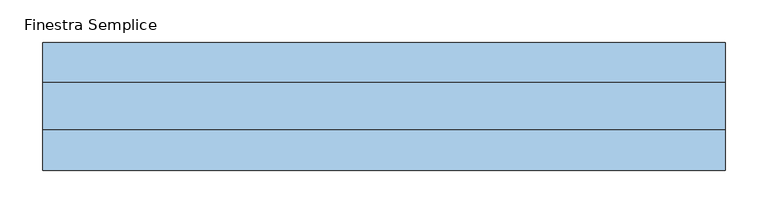
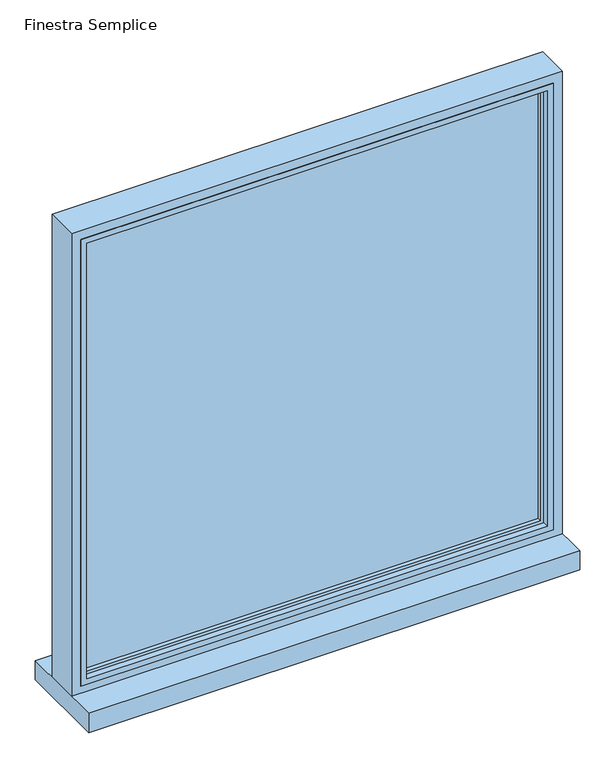
"""IFC4 building model written with IfcOpenShell, lengths in millimetres: window geometry, Finestra Semplice."""

from ifc_helpers import new_model, si_unit, frame, origin, place, context, project, spatial, polyline, ellipse_curve, outline, extrude, faceted_brep, source, transform, mapped, element, save
from ifc_brep_helpers import plane_surface, cylinder_surface, advanced_brep


def finestra_semplice_f639c5f9(model_context):
    return source(origin(), model_context, "Body", "SolidModel", [
        extrude(outline(polyline([(400.0, -68.1372612), (-400.0, -68.1372612), (-400.0, 81.8627389), (400.0, 81.8627389), (400.0, -68.1372612)])), frame((0.0, 0.0, 1170.0), z_axis=(0.0, 0.0, 1.0), x_axis=(1.0, 0.0, 0.0)), (0.0, 0.0, 1.0), 33.0),
        extrude(outline(polyline([(370.0, -3.0), (-370.0, -3.0), (-370.0, 9.8627388), (370.0, 9.8627388), (370.0, -3.0)])), frame((0.0, 0.0, 1230.0), z_axis=(0.0, 0.0, 1.0), x_axis=(1.0, 0.0, 0.0)), (0.0, 0.0, 1.0), 740.0),
        faceted_brep([(-385.0, -20.0, 1985.0), (-385.0, 20.0, 1985.0), (-385.0, 20.0, 1215.0), (-385.0, -20.0, 1215.0), (385.0, 20.0, 1985.0), (385.0, 20.0, 1215.0), (-370.0, 20.0, 1970.0), (-370.0, 20.0, 1230.0), (370.0, 20.0, 1230.0), (370.0, 20.0, 1970.0), (385.0, -20.0, 1215.0), (385.0, -20.0, 1985.0), (375.0, -20.0, 1975.0), (375.0, -20.0, 1225.0), (-375.0, -20.0, 1225.0), (-375.0, -20.0, 1975.0), (-375.0, -10.0, 1975.0), (-375.0, -10.0, 1225.0), (375.0, -10.0, 1225.0), (375.0, -10.0, 1975.0), (370.0, -10.0, 1970.0), (370.0, -10.0, 1230.0), (-370.0, -10.0, 1230.0), (-370.0, -10.0, 1970.0)], [[[0, 1, 2, 3]], [[4, 5, 2, 1], [6, 7, 8, 9]], [[3, 2, 5, 10]], [[0, 3, 10, 11], [12, 13, 14, 15]], [[16, 15, 14, 17]], [[17, 14, 13, 18]], [[16, 17, 18, 19], [20, 21, 22, 23]], [[6, 23, 22, 7]], [[7, 22, 21, 8]], [[10, 5, 4, 11]], [[18, 13, 12, 19]], [[8, 21, 20, 9]], [[11, 4, 1, 0]], [[19, 12, 15, 16]], [[9, 20, 23, 6]]]),
        advanced_brep(
        [(-400.0, 35.0, 2000.0), (-400.0, 35.0, 1200.0), (-400.0, -20.0, 1200.0), (-400.0, -20.0, 2000.0), (400.0, 35.0, 2000.0), (400.0, 35.0, 1200.0), (-380.0, 35.0, 1220.0), (380.0, 35.0, 1220.0), (380.0, 35.0, 1980.0), (-380.0, 35.0, 1980.0), (400.0, -20.0, 1200.0), (400.0, -20.0, 2000.0), (-385.0, -20.0, 1985.0), (385.0, -20.0, 1985.0), (385.0, -20.0, 1215.0), (-385.0, -20.0, 1215.0), (-385.0, 20.0, 1985.0), (-385.0, 20.0, 1215.0), (385.0, 20.0, 1215.0), (385.0, 20.0, 1985.0), (-375.0, 20.0, 1975.0), (375.0, 20.0, 1975.0), (375.0, 20.0, 1225.0), (-375.0, 20.0, 1225.0), (-375.0, 30.0, 1975.0), (-375.0, 30.0, 1225.0), (375.0, 30.0, 1225.0), (375.0, 30.0, 1975.0)],
        [
            (0, 1),
            (1, 2),
            (2, 3),
            (3, 0),
            (0, 4),
            (4, 5),
            (5, 1),
            (6, 7),
            (7, 8),
            (8, 9),
            (9, 6),
            (5, 10),
            (10, 2),
            (10, 11),
            (11, 3),
            (12, 13),
            (13, 14),
            (14, 15),
            (15, 12),
            (16, 12),
            (15, 17),
            (17, 16),
            (14, 18),
            (18, 17),
            (18, 19),
            (19, 16),
            (20, 21),
            (21, 22),
            (22, 23),
            (23, 20),
            (24, 20),
            (23, 25),
            (25, 24),
            (22, 26),
            (26, 25),
            (9, 24, ellipse_curve(frame((-380.0, 30.0, 1980.0), z_axis=(-0.7071067811865475, 0.0, -0.7071067811865475), x_axis=(-0.7071067811865474, 0.0, 0.7071067811865476)), 7.0710678, 5.0)),
            (25, 6, ellipse_curve(frame((-380.0, 30.0, 1220.0), z_axis=(-0.7071067811865475, 0.0, 0.7071067811865475), x_axis=(0.7071067811865474, 0.0, 0.7071067811865476)), 7.0710678, 5.0)),
            (26, 7, ellipse_curve(frame((380.0, 30.0, 1220.0), z_axis=(-0.7071067811865475, 0.0, -0.7071067811865475), x_axis=(-0.7071067811865476, 0.0, 0.7071067811865474)), 7.0710678, 5.0)),
            (4, 11),
            (13, 19),
            (21, 27),
            (27, 26),
            (27, 8, ellipse_curve(frame((380.0, 30.0, 1980.0), z_axis=(0.7071067811865475, 0.0, -0.7071067811865475), x_axis=(-0.7071067811865474, 0.0, -0.7071067811865476)), 7.0710678, 5.0)),
            (24, 27),
        ],
        [
            plane_surface(frame((-400.0, 0.0, 2000.0), z_axis=(-1.0, 0.0, 0.0), x_axis=(0.0, 0.0, -1.0))),
            plane_surface(frame((380.0, 35.0, 1980.0), z_axis=(0.0, 1.0, 0.0), x_axis=(-1.0, 0.0, 0.0))),
            plane_surface(frame((-400.0, 0.0, 1200.0), z_axis=(0.0, 0.0, -1.0), x_axis=(1.0, 0.0, 0.0))),
            plane_surface(frame((400.0, -20.0, 2000.0), z_axis=(0.0, -1.0, 0.0), x_axis=(-1.0, 0.0, 0.0))),
            plane_surface(frame((-385.0, -20.0, 1985.0), z_axis=(1.0, 0.0, 0.0), x_axis=(0.0, 0.0, -1.0))),
            plane_surface(frame((-385.0, -20.0, 1215.0), z_axis=(0.0, 0.0, 1.0), x_axis=(1.0, 0.0, 0.0))),
            plane_surface(frame((385.0, 20.0, 1985.0), z_axis=(0.0, -1.0, 0.0), x_axis=(-1.0, 0.0, 0.0))),
            plane_surface(frame((-375.0, 20.0, 1975.0), z_axis=(1.0, 0.0, 0.0), x_axis=(0.0, 0.0, -1.0))),
            plane_surface(frame((-375.0, 20.0, 1225.0), z_axis=(0.0, 0.0, 1.0), x_axis=(1.0, 0.0, 0.0))),
            cylinder_surface(frame((-380.0, 30.0, 2000.0), z_axis=(0.0, 0.0, 1.0), x_axis=(1.0, 0.0, 0.0)), 5.0),
            cylinder_surface(frame((-400.0, 30.0, 1220.0), z_axis=(-1.0, 0.0, 0.0), x_axis=(0.0, 0.0, 1.0)), 5.0),
            plane_surface(frame((400.0, 0.0, 1200.0), z_axis=(1.0, 0.0, 0.0), x_axis=(0.0, 0.0, 1.0))),
            plane_surface(frame((385.0, -20.0, 1215.0), z_axis=(-1.0, 0.0, 0.0), x_axis=(0.0, 0.0, 1.0))),
            plane_surface(frame((375.0, 20.0, 1225.0), z_axis=(-1.0, 0.0, 0.0), x_axis=(0.0, 0.0, 1.0))),
            cylinder_surface(frame((380.0, 30.0, 1200.0), z_axis=(0.0, 0.0, -1.0), x_axis=(-1.0, 0.0, 0.0)), 5.0),
            plane_surface(frame((400.0, 0.0, 2000.0), z_axis=(0.0, 0.0, 1.0), x_axis=(-1.0, 0.0, 0.0))),
            plane_surface(frame((385.0, -20.0, 1985.0), z_axis=(0.0, 0.0, -1.0), x_axis=(-1.0, 0.0, 0.0))),
            plane_surface(frame((375.0, 20.0, 1975.0), z_axis=(0.0, 0.0, -1.0), x_axis=(-1.0, 0.0, 0.0))),
            cylinder_surface(frame((400.0, 30.0, 1980.0), z_axis=(1.0, 0.0, 0.0), x_axis=(0.0, 0.0, -1.0)), 5.0),
        ],
        [
            (0, [[1, 2, 3, 4]]),
            (1, [[5, 6, 7, -1], [8, 9, 10, 11]]),
            (2, [[-2, -7, 12, 13]]),
            (3, [[-13, 14, 15, -3], [16, 17, 18, 19]]),
            (4, [[20, -19, 21, 22]]),
            (5, [[-21, -18, 23, 24]]),
            (6, [[-24, 25, 26, -22], [27, 28, 29, 30]]),
            (7, [[31, -30, 32, 33]]),
            (8, [[-32, -29, 34, 35]]),
            (9, [[36, -33, 37, -11]]),
            (10, [[-37, -35, 38, -8]]),
            (11, [[-12, -6, 39, -14]]),
            (12, [[-23, -17, 40, -25]]),
            (13, [[-34, -28, 41, 42]]),
            (14, [[-38, -42, 43, -9]]),
            (15, [[-39, -5, -4, -15]]),
            (16, [[-40, -16, -20, -26]]),
            (17, [[-41, -27, -31, 44]]),
            (18, [[-43, -44, -36, -10]]),
        ],
    ),
    ])


if __name__ == "__main__":
    model = new_model("IFC4")
    model_context = context("Model", 3, world=origin())
    ifc_project = project(units=[si_unit("LENGTHUNIT", "METRE", prefix="MILLI")], contexts=[model_context])
    site = spatial("IfcSite", under=ifc_project)
    building = spatial("IfcBuilding", under=site)
    placement = place(None, origin())
    finestra_semplice_shape = finestra_semplice_f639c5f9(model_context)
    element("IfcWindow", 1, ObjectType="Finestra Semplice", at=placement, inside=building, context=model_context, shape_type="MappedRepresentation", body=[
        mapped(finestra_semplice_shape, transform((0.0, 0.0, 0.0), x_axis=(1.0, 0.0, 0.0), y_axis=(0.0, 1.0, 0.0), z_axis=(0.0, 0.0, 1.0))),
    ])
    save(model, "model.ifc")
